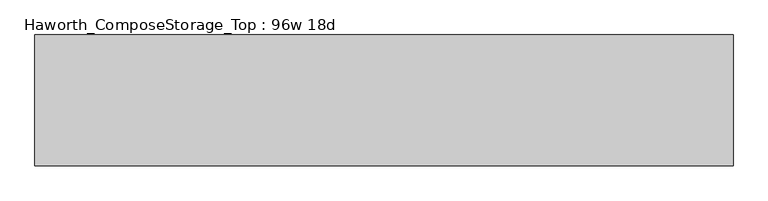
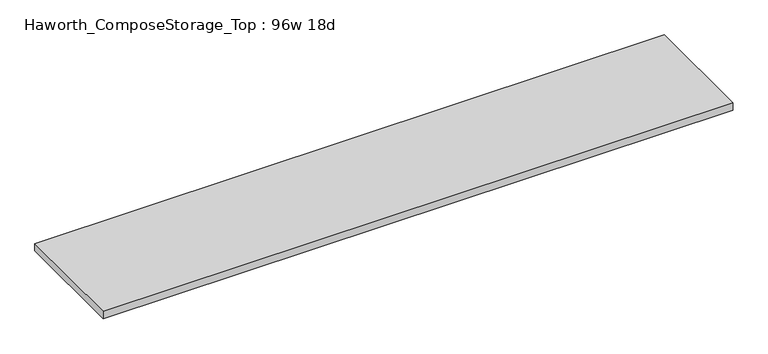
"""IFC4 building model written with IfcOpenShell, lengths in millimetres: furniture geometry, Haworth_ComposeStorage_Top : 96w 18d."""

from ifc_helpers import new_model, si_unit, frame, origin, place, context, project, spatial, polyline, outline, extrude, source, transform, mapped, element, save


def haworth_composestorage_top_96w_18d_567cc7db(model_context):
    return source(origin(), model_context, "Body", "SweptSolid", [
        extrude(outline(polyline([(1219.2, 228.6), (1219.2, -228.6), (-1219.2, -228.6), (-1219.2, 228.6), (1219.2, 228.6)])), frame((0.0, 0.0, 706.4375), z_axis=(0.0, 0.0, 1.0), x_axis=(1.0, 0.0, 0.0)), (0.0, 0.0, 1.0), 30.1625),
    ])


if __name__ == "__main__":
    model = new_model("IFC4")
    model_context = context("Model", 3, world=origin())
    ifc_project = project(units=[si_unit("LENGTHUNIT", "METRE", prefix="MILLI")], contexts=[model_context])
    site = spatial("IfcSite", under=ifc_project)
    building = spatial("IfcBuilding", under=site)
    placement = place(None, origin())
    haworth_composestorage_top_96w_18d_shape = haworth_composestorage_top_96w_18d_567cc7db(model_context)
    element("IfcFurniture", 1, ObjectType="Haworth_ComposeStorage_Top : 96w 18d", at=placement, inside=building, context=model_context, shape_type="MappedRepresentation", body=[
        mapped(haworth_composestorage_top_96w_18d_shape, transform((0.0, 0.0, 0.0), x_axis=(1.0, 0.0, 0.0), y_axis=(0.0, 1.0, 0.0), z_axis=(0.0, 0.0, 1.0))),
    ])
    save(model, "model.ifc")
